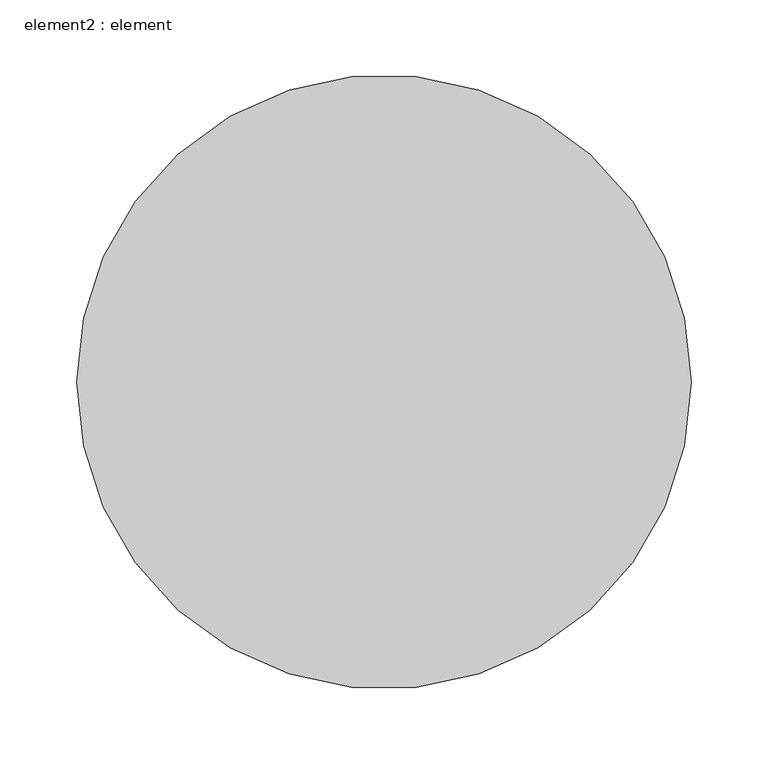
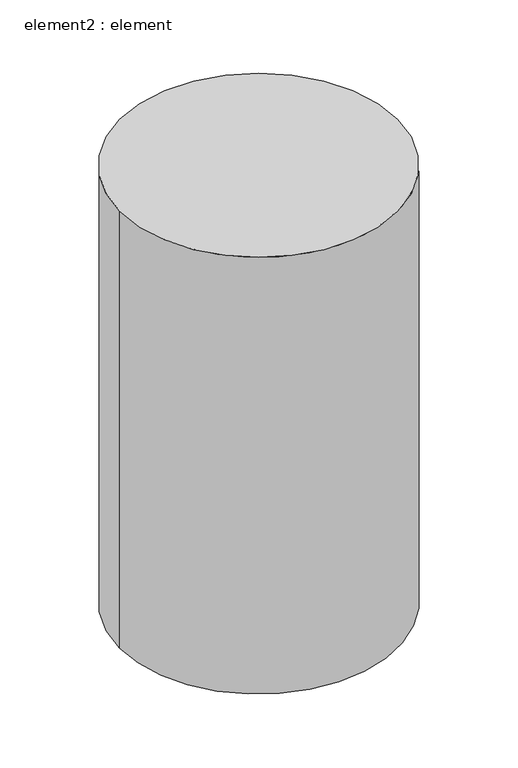
"""IFC4 building model written with IfcOpenShell, lengths in millimetres: furniture geometry, element2 : element."""

import ifcopenshell
import ifcopenshell.guid

model = None  # the IFC model being written
_history = None  # IfcOwnerHistory: only IFC2X3 demands one
_inside = {}  # id of a spatial element -> (the spatial element, [elements in it])
_under = {}  # id of a project, library or spatial element -> (it, [spatial elements below it])
_declared = {}  # id of a project -> (the project, [libraries it declares])
_typed = {}  # id of a type object -> (the type object, [elements of that type])
_made_of = {}  # id of a material, layer set ... -> (it, [elements and type objects made of it])


def new_model(schema):
    """Start an empty IFC model of exactly this schema.

    Asked for "IFC4X3", IfcOpenShell would pick the latest addendum, in which some entities
    have other attributes; the version numbers below select the first issue.
    IFC2X3 requires an IfcOwnerHistory on every rooted entity: one is made here for all.
    """
    global model, _history
    if schema == "IFC4X3":
        model = ifcopenshell.file(schema_version=(4, 3, 0, 0))
    else:
        model = ifcopenshell.file(schema=schema)
    _inside.clear()
    _under.clear()
    _declared.clear()
    _typed.clear()
    _made_of.clear()
    _history = None
    if model.schema == "IFC2X3":
        org = make("IfcOrganization", Name="unknown")
        user = make(
            "IfcPersonAndOrganization",
            ThePerson=make("IfcPerson", FamilyName="unknown"),
            TheOrganization=org,
        )
        app = make(
            "IfcApplication",
            ApplicationDeveloper=org,
            Version="unknown",
            ApplicationFullName="unknown",
            ApplicationIdentifier="unknown",
        )
        _history = make(
            "IfcOwnerHistory",
            OwningUser=user,
            OwningApplication=app,
            ChangeAction="ADDED",
            CreationDate=0,
        )
    return model


def make(cls, **values):
    """One entity of the class cls with the attributes given. An attribute that is None is left unset."""
    return model.create_entity(
        cls, **{name: value for name, value in values.items() if value is not None}
    )


def rooted(cls, **values):
    """An entity with a GlobalId (a new one), such as an element, a storey or a relation."""
    return make(cls, GlobalId=ifcopenshell.guid.new(), OwnerHistory=_history, **values)


def si_unit(unit_type, name, prefix=None):
    """IfcSIUnit, for example si_unit("LENGTHUNIT", "METRE", prefix="MILLI")."""
    return make("IfcSIUnit", UnitType=unit_type, Prefix=prefix, Name=name)


def assignment(units):
    """IfcUnitAssignment: the units of a project."""
    return None if units is None else make("IfcUnitAssignment", Units=units)


def point(xyz):
    """IfcCartesianPoint."""
    return None if xyz is None else make("IfcCartesianPoint", Coordinates=xyz)


def direction(xyz):
    """IfcDirection."""
    return None if xyz is None else make("IfcDirection", DirectionRatios=xyz)


def frame(location, z_axis=None, x_axis=None):
    """IfcAxis2Placement3D, a coordinate frame: its origin and axes. An axis left out is left unset."""
    return make(
        "IfcAxis2Placement3D",
        Location=point(location),
        Axis=direction(z_axis),
        RefDirection=direction(x_axis),
    )


def frame_2d(location, x_axis=None):
    """IfcAxis2Placement2D, a coordinate frame in the plane: its origin and x axis."""
    return make(
        "IfcAxis2Placement2D", Location=point(location), RefDirection=direction(x_axis)
    )


def origin():
    """The frame at (0, 0, 0) with its axes left unset."""
    return frame((0.0, 0.0, 0.0))


def place(relative_to, where):
    """IfcLocalPlacement: puts the frame where relative to a parent placement (None: the world)."""
    return make(
        "IfcLocalPlacement", PlacementRelTo=relative_to, RelativePlacement=where
    )


def context(
    kind, dimensions, precision=None, world=None, true_north=None, identifier=None
):
    """IfcGeometricRepresentationContext, for example the 3D "Model" context."""
    return make(
        "IfcGeometricRepresentationContext",
        ContextIdentifier=identifier,
        ContextType=kind,
        CoordinateSpaceDimension=dimensions,
        Precision=precision,
        WorldCoordinateSystem=world,
        TrueNorth=true_north,
    )


def project(units=None, contexts=None):
    """IfcProject with its units and contexts."""
    return rooted(
        "IfcProject",
        Name="project",
        RepresentationContexts=contexts,
        UnitsInContext=assignment(units),
    )


def spatial(cls, under=None, at=None, **own):
    """A site, building, storey or space (cls), placed at a placement, below another one or the project."""
    s = rooted(cls, ObjectPlacement=at, **own)
    if under is not None:
        _under.setdefault(under.id(), (under, []))[1].append(s)
    return s


def circle_curve(where, radius):
    """IfcCircle in the frame where."""
    return make("IfcCircle", Position=where, Radius=radius)


def trimmed(basis, trim1, trim2, sense, master):
    """IfcTrimmedCurve: the piece of a basis curve between two trims."""
    return make(
        "IfcTrimmedCurve",
        BasisCurve=basis,
        Trim1=trim1,
        Trim2=trim2,
        SenseAgreement=sense,
        MasterRepresentation=master,
    )


def segment(curve, same_sense, transition):
    """IfcCompositeCurveSegment."""
    return make(
        "IfcCompositeCurveSegment",
        Transition=transition,
        SameSense=same_sense,
        ParentCurve=curve,
    )


def composite_curve(segments, self_intersect=None):
    """IfcCompositeCurve: segments joined end to end."""
    return make("IfcCompositeCurve", Segments=segments, SelfIntersect=self_intersect)


def outline(outer, holes=None, kind="AREA"):
    """IfcArbitraryClosedProfileDef: a profile drawn as a closed curve; with holes, ...WithVoids."""
    if holes is None:
        return make("IfcArbitraryClosedProfileDef", ProfileType=kind, OuterCurve=outer)
    return make(
        "IfcArbitraryProfileDefWithVoids",
        ProfileType=kind,
        OuterCurve=outer,
        InnerCurves=holes,
    )


def extrude(swept, where, along, depth):
    """IfcExtrudedAreaSolid: the profile swept, set in the frame where, extruded along a direction by depth."""
    return make(
        "IfcExtrudedAreaSolid",
        SweptArea=swept,
        Position=where,
        ExtrudedDirection=direction(along),
        Depth=depth,
    )


def shape(context_of_items, identifier, shape_type, items):
    """IfcShapeRepresentation: the items that make up one representation, for example the "Body"."""
    return make(
        "IfcShapeRepresentation",
        ContextOfItems=context_of_items,
        RepresentationIdentifier=identifier,
        RepresentationType=shape_type,
        Items=items,
    )


def source(mapping_origin, context_of_items, identifier, shape_type, items):
    """IfcRepresentationMap: a shape defined once, which mapped items show again and again."""
    return make(
        "IfcRepresentationMap",
        MappingOrigin=mapping_origin,
        MappedRepresentation=shape(context_of_items, identifier, shape_type, items),
    )


def transform(
    local_origin,
    x_axis=None,
    y_axis=None,
    z_axis=None,
    scale=None,
    scale2=None,
    scale3=None,
    uniform=True,
):
    """IfcCartesianTransformationOperator3D, or its non-uniform kind. x_axis, y_axis, z_axis: its Axis1, 2, 3."""
    if uniform:
        return make(
            "IfcCartesianTransformationOperator3D",
            Axis1=direction(x_axis),
            Axis2=direction(y_axis),
            LocalOrigin=point(local_origin),
            Scale=scale,
            Axis3=direction(z_axis),
        )
    return make(
        "IfcCartesianTransformationOperator3DnonUniform",
        Axis1=direction(x_axis),
        Axis2=direction(y_axis),
        LocalOrigin=point(local_origin),
        Scale=scale,
        Axis3=direction(z_axis),
        Scale2=scale2,
        Scale3=scale3,
    )


def mapped(mapping_source, mapping_target):
    """IfcMappedItem: shows the shape of a source again, moved by a transform."""
    return make(
        "IfcMappedItem", MappingSource=mapping_source, MappingTarget=mapping_target
    )


def made_of(thing, what):
    """Note that an element or type object is made of a material, layer set ...; save() writes the relation."""
    if what is not None:
        _made_of.setdefault(what.id(), (what, []))[1].append(thing)
    return thing


def element(
    cls,
    number,
    at=None,
    inside=None,
    cuts=None,
    type_object=None,
    material=None,
    context=None,
    identifier="Body",
    shape_type=None,
    held_by="IfcProductDefinitionShape",
    body=None,
    shapes=None,
    **own,
):
    """One element of the class cls, such as IfcWall. Its Tag is "e" and its number.

    at: its placement. inside: the storey or other place that contains it. cuts: it is an
    opening in that element (IfcRelVoidsElement). A single representation is given by context,
    identifier, shape_type and body (its items); several are given by shapes. held_by: the class
    of the entity that holds the representations. save() writes the other relations.
    """
    e = rooted(cls, Tag="e%d" % number, ObjectPlacement=at, **own)
    if body is not None:
        shapes = [shape(context, identifier, shape_type, body)]
    if shapes is not None:
        e.Representation = make(held_by, Representations=shapes)
    if inside is not None:
        _inside.setdefault(inside.id(), (inside, []))[1].append(e)
    if cuts is not None:
        rooted(
            "IfcRelVoidsElement", RelatingBuildingElement=cuts, RelatedOpeningElement=e
        )
    if type_object is not None:
        _typed.setdefault(type_object.id(), (type_object, []))[1].append(e)
    return made_of(e, material)


def aggregate(whole, parts):
    """IfcRelAggregates: a whole, such as a stair, and the parts it consists of."""
    return rooted("IfcRelAggregates", RelatingObject=whole, RelatedObjects=parts)


def save(model, path):
    """Write the relations noted so far, then the file.

    IfcRelAggregates (storeys below a building ...), IfcRelContainedInSpatialStructure (elements
    in a storey), IfcRelDefinesByType, IfcRelAssociatesMaterial and IfcRelDeclares: one each for
    every whole, place, type object, material and project.
    """
    for whole, parts in _under.values():
        aggregate(whole, parts)
    for where, things in _inside.values():
        rooted(
            "IfcRelContainedInSpatialStructure",
            RelatedElements=things,
            RelatingStructure=where,
        )
    for kind, things in _typed.values():
        rooted("IfcRelDefinesByType", RelatedObjects=things, RelatingType=kind)
    for what, things in _made_of.values():
        rooted("IfcRelAssociatesMaterial", RelatedObjects=things, RelatingMaterial=what)
    for by, libraries in _declared.values():
        rooted("IfcRelDeclares", RelatingContext=by, RelatedDefinitions=libraries)
    model.write(path)


def element2_element_97a556cb(model_context):
    return source(origin(), model_context, "Body", "SweptSolid", [
        extrude(outline(composite_curve([segment(trimmed(circle_curve(frame_2d((14358.6360925, 6787.0487561)), 200.0), [point((14158.6360925, 6787.0487561))], [point((14558.6360925, 6787.0487561))], False, "CARTESIAN"), True, "CONTINUOUS"), segment(trimmed(circle_curve(frame_2d((14358.6360925, 6787.0487561)), 200.0), [point((14558.6360925, 6787.0487561))], [point((14158.6360925, 6787.0487561))], False, "CARTESIAN"), True, "CONTINUOUS")], self_intersect=False)), frame((0.0, 0.0, 1178.9371454), z_axis=(0.0, 0.0, 1.0), x_axis=(1.0, 0.0, 0.0)), (0.0, 0.0, 1.0), 664.4552811),
    ])


if __name__ == "__main__":
    model = new_model("IFC4")
    model_context = context("Model", 3, world=origin())
    ifc_project = project(units=[si_unit("LENGTHUNIT", "METRE", prefix="MILLI")], contexts=[model_context])
    site = spatial("IfcSite", under=ifc_project)
    building = spatial("IfcBuilding", under=site)
    placement = place(None, origin())
    element2_element_shape = element2_element_97a556cb(model_context)
    element("IfcFurniture", 1, ObjectType="element2 : element", at=placement, inside=building, context=model_context, shape_type="MappedRepresentation", body=[
        mapped(element2_element_shape, transform((0.0, 0.0, 0.0), x_axis=(1.0, 0.0, 0.0), y_axis=(0.0, 1.0, 0.0), z_axis=(0.0, 0.0, 1.0))),
    ])
    save(model, "model.ifc")
